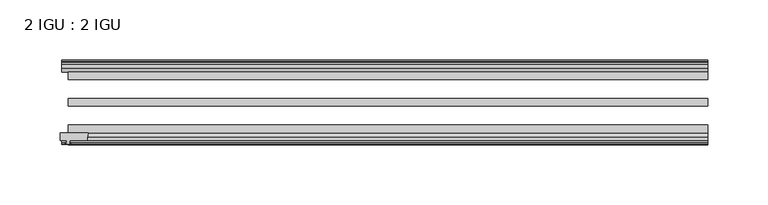
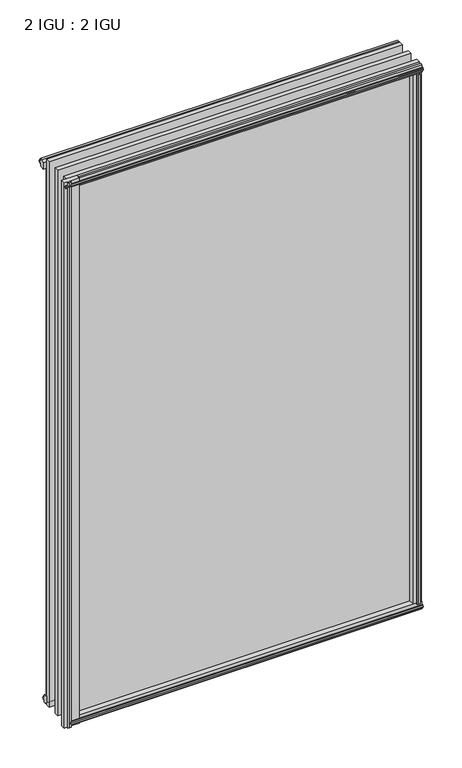
"""IFC4 building model written with IfcOpenShell, lengths in millimetres: plate geometry, 2 IGU : 2 IGU."""

from ifc_helpers import new_model, si_unit, point, frame, frame_2d, origin, origin_with_axes, place, context, project, spatial, polyline, circle_curve, trimmed, segment, composite_curve, outline, extrude, source, transform, mapped, element, save


def plate_2_igu_2_igu_9f3d4a73(model_context):
    return source(origin(), model_context, "Body", "SweptSolid", [
        extrude(outline(polyline([(255.2472361, -10.4746158), (257.4247651, -9.7670937), (259.6022942, -10.4746158), (259.6022942, -11.27583), (258.1867651, -10.8158968), (258.5677651, -13.1960937), (263.0127651, -13.1960937), (263.0127651, -16.1424937), (260.178423, -19.5460937), (249.3570471, -19.5460937), (251.0747651, -13.1960937), (256.2817651, -13.1960937), (256.6627651, -10.8158968), (255.2472361, -11.27583), (255.2472361, -10.4746158)])), origin_with_axes(), (0.0, 0.0, 1.0), 838.2),
        extrude(outline(composite_curve([segment(polyline([(-272.7790651, -69.9960936), (-249.5703365, -69.9960936)]), True, "CONTINUOUS"), segment(trimmed(circle_curve(frame_2d((-238.2129395, -75.0067563)), 12.4135896), [point((-249.5703365, -69.9960936))], [point((-250.5540651, -76.3460936))], True, "CARTESIAN"), True, "CONTINUOUS"), segment(polyline([(-250.5540651, -76.3460936), (-265.1590651, -76.3460936), (-265.4765651, -78.4506955), (-264.2579593, -78.124171), (-264.0541651, -78.884741), (-266.4290651, -79.5210936), (-268.8039651, -78.884741), (-268.600171, -78.124171), (-267.3815651, -78.4506955), (-267.6990651, -76.3460936), (-272.7790651, -76.3460936), (-272.7790651, -69.9960936)]), True, "CONTINUOUS")], self_intersect=False)), frame((0.0, 0.0, -12.4587), z_axis=(0.0, 0.0, 1.0), x_axis=(1.0, 0.0, 0.0)), (0.0, 0.0, 1.0), 863.1174),
        extrude(outline(polyline([(-19.5460937, 1.5938931), (-13.1960937, -0.123825), (-13.1960937, -5.330825), (-10.8158968, -5.711825), (-11.27583, -4.2962959), (-10.4746158, -4.2962959), (-9.7670937, -6.473825), (-10.4746158, -8.6513541), (-11.27583, -8.6513541), (-10.8158968, -7.235825), (-13.1960937, -7.616825), (-13.1960937, -12.061825), (-16.1424937, -12.061825), (-19.5460937, -9.2274828), (-19.5460937, 1.5938931)])), frame((-266.4290651, 0.0, 0.0), z_axis=(1.0, 0.0, 0.0), x_axis=(0.0, 1.0, 0.0)), (0.0, 0.0, 1.0), 529.6831303),
        extrude(outline(polyline([(-69.9960936, 2.1145931), (-69.9960936, -8.7067828), (-73.3996936, -11.541125), (-76.3460936, -11.541125), (-76.3460936, -7.096125), (-78.7262905, -6.715125), (-78.2663573, -8.1306541), (-79.0675715, -8.1306541), (-79.7750936, -5.953125), (-79.0675715, -3.7755959), (-78.2663573, -3.7755959), (-78.7262905, -5.191125), (-76.3460936, -4.810125), (-76.3460936, 0.396875), (-69.9960936, 2.1145931)])), frame((-266.4290651, 0.0, 0.0), z_axis=(1.0, 0.0, 0.0), x_axis=(0.0, 1.0, 0.0)), (0.0, 0.0, 1.0), 529.6831303),
        extrude(outline(polyline([(-10.8158968, 845.8327), (-11.27583, 847.2482291), (-10.4746158, 847.2482291), (-9.7670937, 845.0707), (-10.4746158, 842.8931709), (-11.27583, 842.8931709), (-10.8158968, 844.3087), (-13.1960937, 843.9277), (-13.1960937, 838.7207), (-19.5460937, 837.0029819), (-19.5460937, 847.8243578), (-16.1424937, 850.6587), (-13.1960937, 850.6587), (-13.1960937, 846.2137), (-10.8158968, 845.8327)])), frame((-271.775171, 0.0, 0.0), z_axis=(1.0, 0.0, 0.0), x_axis=(0.0, 1.0, 0.0)), (0.0, 0.0, 1.0), 535.0292362),
        extrude(outline(polyline([(-76.3460936, 850.138), (-73.3996936, 850.138), (-69.9960936, 847.3036578), (-69.9960936, 836.4822819), (-76.3460936, 838.2), (-76.3460936, 843.407), (-78.7262905, 843.788), (-78.2663573, 842.3724709), (-79.0675715, 842.3724709), (-79.7750936, 844.55), (-79.0675715, 846.7275291), (-78.2663573, 846.7275291), (-78.7262905, 845.312), (-76.3460936, 845.693), (-76.3460936, 850.138)])), frame((-271.775171, 0.0, 0.0), z_axis=(1.0, 0.0, 0.0), x_axis=(0.0, 1.0, 0.0)), (0.0, 0.0, 1.0), 535.0292362),
        extrude(outline(polyline([(248.8363471, -69.9960936), (259.657723, -69.9960936), (262.4920651, -73.3996936), (262.4920651, -76.3460936), (258.0470651, -76.3460936), (257.6660651, -78.7262905), (259.0815942, -78.2663573), (259.0815942, -79.0675715), (256.9040651, -79.7750936), (254.7265361, -79.0675715), (254.7265361, -78.2663573), (256.1420651, -78.7262905), (255.7610651, -76.3460936), (250.5540651, -76.3460936), (248.8363471, -69.9960936)])), origin_with_axes(), (0.0, 0.0, 1.0), 838.2),
        extrude(outline(polyline([(-257.4247651, -9.7670937), (-255.2472361, -10.4746158), (-255.2472361, -11.27583), (-256.6627651, -10.8158968), (-256.2817651, -13.1960937), (-251.0747651, -13.1960937), (-249.3570471, -19.5460937), (-260.178423, -19.5460937), (-263.0127651, -16.1424937), (-263.0127651, -13.1960937), (-258.5677651, -13.1960937), (-258.1867651, -10.8158968), (-259.6022942, -11.27583), (-259.6022942, -10.4746158), (-257.4247651, -9.7670937)])), origin_with_axes(), (0.0, 0.0, 1.0), 838.2),
        extrude(outline(polyline([(263.2540651, -19.5460937), (263.2540651, -25.8960937), (-266.4290651, -25.8960937), (-266.4290651, -19.5460937), (263.2540651, -19.5460937)])), frame((0.0, 0.0, -12.303125), z_axis=(0.0, 0.0, 1.0), x_axis=(1.0, 0.0, 0.0)), (0.0, 0.0, 1.0), 863.203125),
        extrude(outline(polyline([(-266.4290651, -41.5960937), (263.2540651, -41.5960937), (263.2540651, -47.9460937), (-266.4290651, -47.9460937), (-266.4290651, -41.5960937)])), frame((0.0, 0.0, -12.303125), z_axis=(0.0, 0.0, 1.0), x_axis=(1.0, 0.0, 0.0)), (0.0, 0.0, 1.0), 863.203125),
        extrude(outline(polyline([(263.2540651, -63.6460936), (263.2540651, -69.9960936), (-266.4290651, -69.9960936), (-266.4290651, -63.6460936), (263.2540651, -63.6460936)])), frame((0.0, 0.0, -12.303125), z_axis=(0.0, 0.0, 1.0), x_axis=(1.0, 0.0, 0.0)), (0.0, 0.0, 1.0), 863.203125),
    ])


if __name__ == "__main__":
    model = new_model("IFC4")
    model_context = context("Model", 3, world=origin())
    ifc_project = project(units=[si_unit("LENGTHUNIT", "METRE", prefix="MILLI")], contexts=[model_context])
    site = spatial("IfcSite", under=ifc_project)
    building = spatial("IfcBuilding", under=site)
    placement = place(None, origin())
    plate_2_igu_2_igu_shape = plate_2_igu_2_igu_9f3d4a73(model_context)
    element("IfcPlate", 1, ObjectType="2 IGU : 2 IGU", at=placement, inside=building, context=model_context, shape_type="MappedRepresentation", body=[
        mapped(plate_2_igu_2_igu_shape, transform((0.0, 0.0, 0.0), x_axis=(1.0, 0.0, 0.0), y_axis=(0.0, 1.0, 0.0), z_axis=(0.0, 0.0, 1.0))),
    ])
    save(model, "model.ifc")
